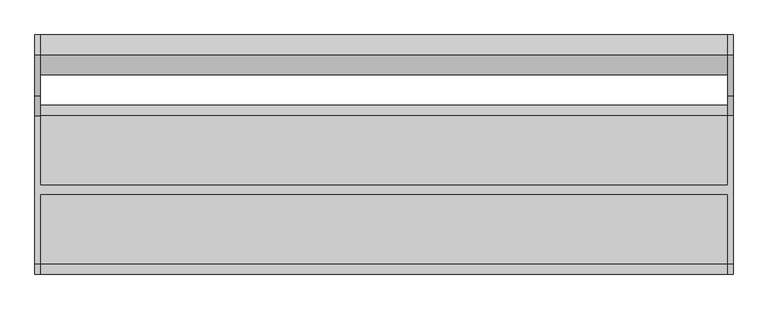
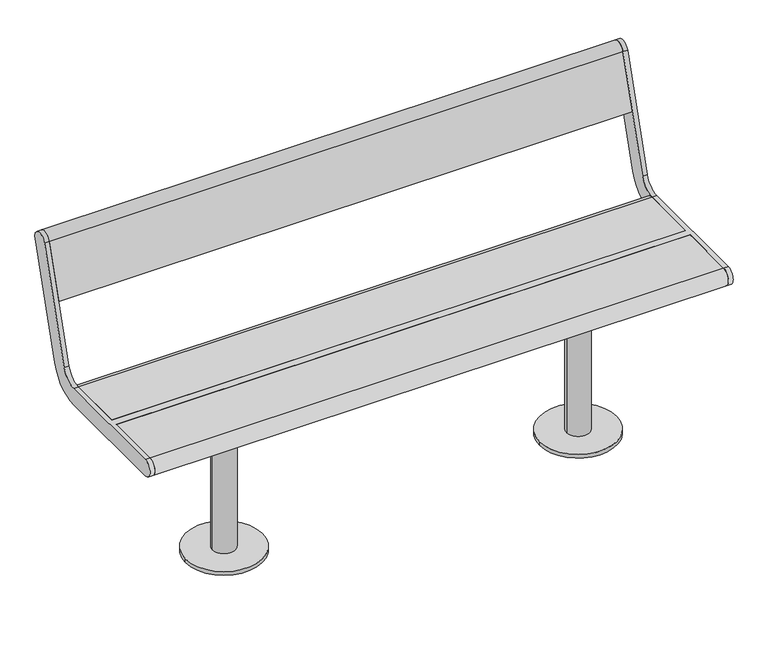
"""IFC4 building model written with IfcOpenShell, lengths in millimetres: furniture geometry."""

from ifc_helpers import new_model, si_unit, point, frame, frame_2d, origin, origin_with_axes, place, context, project, spatial, polyline, circle_curve, trimmed, segment, composite_curve, outline, extrude, source, transform, mapped, element, save
from ifc_brep_helpers import plane_surface, cylinder_surface, revolved_surface, advanced_brep


def furniture_3b8928c1(model_context):
    return source(origin(), model_context, "Body", "SolidModel", [
        advanced_brep(
        [(-745.0, 291.5375971, 769.6910048), (-745.0, 203.533714, 481.8432733), (-745.0, 160.5, 450.0), (-745.0, 10.0, 450.0), (-745.0, 10.0, 405.0), (-745.0, 160.5, 405.0), (-745.0, 246.567428, 468.6865466), (-745.0, 334.5713112, 756.5342781), (-745.0, -160.5, 450.0), (-745.0, -160.5, 405.0), (-745.0, -10.0, 405.0), (-745.0, -10.0, 450.0), (-757.0, 291.5375971, 769.6910048), (-757.0, 334.5713112, 756.5342781), (-757.0, 246.567428, 468.6865466), (-757.0, 160.5, 405.0), (-757.0, -160.5, 405.0), (-757.0, -160.5, 450.0), (-757.0, 160.5, 450.0), (-757.0, 203.533714, 481.8432733), (745.0, -10.0, 450.0), (745.0, -160.5, 450.0), (757.0, -160.5, 450.0), (757.0, 160.5, 450.0), (745.0, 160.5, 450.0), (745.0, 10.0, 450.0), (745.0, 10.0, 405.0), (745.0, 160.5, 405.0), (757.0, 160.5, 405.0), (757.0, -160.5, 405.0), (745.0, -160.5, 405.0), (745.0, -10.0, 405.0), (757.0, 291.5375971, 769.6910048), (757.0, 203.533714, 481.8432733), (757.0, 246.567428, 468.6865466), (757.0, 334.5713112, 756.5342781), (745.0, 291.5375971, 769.6910048), (745.0, 334.5713112, 756.5342781), (745.0, 246.567428, 468.6865466), (745.0, 203.533714, 481.8432733)],
        [
            (0, 1),
            (1, 2, circle_curve(frame((-745.0, 160.5, 495.0), z_axis=(-1.0, 0.0, 0.0), x_axis=(0.0, -1.0, 0.0)), 45.0)),
            (2, 3),
            (3, 4),
            (4, 5),
            (5, 6, circle_curve(frame((-745.0, 160.5, 495.0), z_axis=(1.0, 0.0, 0.0), x_axis=(0.0, -1.0, 0.0)), 90.0)),
            (6, 7),
            (7, 0, circle_curve(frame((-745.0, 313.0544541, 763.1126415), z_axis=(1.0, 0.0, 0.0), x_axis=(0.0, -1.0, 0.0)), 22.5)),
            (8, 9, circle_curve(frame((-745.0, -160.5, 427.5), z_axis=(1.0, 0.0, 0.0), x_axis=(0.0, -1.0, 0.0)), 22.5)),
            (9, 10),
            (10, 11),
            (11, 8),
            (12, 13, circle_curve(frame((-757.0, 313.0544541, 763.1126415), z_axis=(-1.0, 0.0, 0.0), x_axis=(0.0, -1.0, 0.0)), 22.5)),
            (13, 14),
            (14, 15, circle_curve(frame((-757.0, 160.5, 495.0), z_axis=(-1.0, 0.0, 0.0), x_axis=(0.0, -1.0, 0.0)), 90.0)),
            (15, 16),
            (16, 17, circle_curve(frame((-757.0, -160.5, 427.5), z_axis=(-1.0, 0.0, 0.0), x_axis=(0.0, -1.0, 0.0)), 22.5)),
            (17, 18),
            (18, 19, circle_curve(frame((-757.0, 160.5, 495.0), z_axis=(1.0, 0.0, 0.0), x_axis=(0.0, -1.0, 0.0)), 45.0)),
            (19, 12),
            (0, 12),
            (19, 1),
            (18, 2),
            (17, 8),
            (11, 20),
            (20, 21),
            (21, 22),
            (22, 23),
            (23, 24),
            (24, 25),
            (25, 3),
            (15, 5),
            (4, 26),
            (26, 27),
            (27, 28),
            (28, 29),
            (29, 30),
            (30, 31),
            (31, 10),
            (9, 16),
            (14, 6),
            (13, 7),
            (31, 20),
            (25, 26),
            (32, 33),
            (33, 23, circle_curve(frame((757.0, 160.5, 495.0), z_axis=(-1.0, 0.0, 0.0), x_axis=(0.0, -1.0, 0.0)), 45.0)),
            (22, 29, circle_curve(frame((757.0, -160.5, 427.5), z_axis=(1.0, 0.0, 0.0), x_axis=(0.0, -1.0, 0.0)), 22.5)),
            (28, 34, circle_curve(frame((757.0, 160.5, 495.0), z_axis=(1.0, 0.0, 0.0), x_axis=(0.0, -1.0, 0.0)), 90.0)),
            (34, 35),
            (35, 32, circle_curve(frame((757.0, 313.0544541, 763.1126415), z_axis=(1.0, 0.0, 0.0), x_axis=(0.0, -1.0, 0.0)), 22.5)),
            (36, 37, circle_curve(frame((745.0, 313.0544541, 763.1126415), z_axis=(-1.0, 0.0, 0.0), x_axis=(0.0, -1.0, 0.0)), 22.5)),
            (37, 38),
            (38, 27, circle_curve(frame((745.0, 160.5, 495.0), z_axis=(-1.0, 0.0, 0.0), x_axis=(0.0, -1.0, 0.0)), 90.0)),
            (24, 39, circle_curve(frame((745.0, 160.5, 495.0), z_axis=(1.0, 0.0, 0.0), x_axis=(0.0, -1.0, 0.0)), 45.0)),
            (39, 36),
            (30, 21, circle_curve(frame((745.0, -160.5, 427.5), z_axis=(-1.0, 0.0, 0.0), x_axis=(0.0, -1.0, 0.0)), 22.5)),
            (32, 36),
            (39, 33),
            (38, 34),
            (37, 35),
        ],
        [
            plane_surface(frame((-745.0, 203.533714, 481.8432733), z_axis=(1.0, 0.0, 0.0), x_axis=(0.0, -0.29237170472273366, -0.9563047559630364))),
            plane_surface(frame((-757.0, 203.533714, 481.8432733), z_axis=(-1.0, 0.0, 0.0), x_axis=(0.0, 0.29237170472273366, 0.9563047559630364))),
            plane_surface(frame((-745.0, 291.5375971, 769.6910048), z_axis=(0.0, -0.9563047559630364, 0.29237170472273366), x_axis=(-1.0, 0.0, 0.0))),
            revolved_surface(polyline([(-757.0, 115.5, 495.0), (-745.0, 115.5, 495.0)]), (-757.0, 160.5, 495.0), (-1.0, 0.0, 0.0)),
            plane_surface(frame((-745.0, 160.5, 450.0), z_axis=(0.0, 0.0, 1.0), x_axis=(-1.0, 0.0, 0.0))),
            plane_surface(frame((-745.0, -160.5, 405.0), z_axis=(0.0, 0.0, -1.0), x_axis=(-1.0, 0.0, 0.0))),
            cylinder_surface(frame((-757.0, 160.5, 495.0), z_axis=(1.0, 0.0, 0.0), x_axis=(0.0, -1.0, 0.0)), 90.0),
            plane_surface(frame((-745.0, 246.567428, 468.6865466), z_axis=(0.0, 0.9563047559630364, -0.29237170472273366), x_axis=(-1.0, 0.0, 0.0))),
            cylinder_surface(frame((-757.0, 313.0544541, 763.1126415), z_axis=(1.0, 0.0, 0.0), x_axis=(0.0, -1.0, 0.0)), 22.5),
            cylinder_surface(frame((-757.0, -160.5, 427.5), z_axis=(1.0, 0.0, 0.0), x_axis=(0.0, -1.0, 0.0)), 22.5),
            plane_surface(frame((745.0, -10.0, 450.0), z_axis=(0.0, -1.0, 0.0), x_axis=(-1.0, 0.0, 0.0))),
            plane_surface(frame((745.0, 10.0, 405.0), z_axis=(0.0, 1.0, 0.0), x_axis=(-1.0, 0.0, 0.0))),
            plane_surface(frame((757.0, 203.533714, 481.8432733), z_axis=(1.0, 0.0, 0.0), x_axis=(0.0, -0.29237170472273366, -0.9563047559630364))),
            plane_surface(frame((745.0, 203.533714, 481.8432733), z_axis=(-1.0, 0.0, 0.0), x_axis=(0.0, 0.29237170472273366, 0.9563047559630364))),
            plane_surface(frame((757.0, 291.5375971, 769.6910048), z_axis=(0.0, -0.9563047559630364, 0.29237170472273366), x_axis=(-1.0, 0.0, 0.0))),
            revolved_surface(polyline([(745.0, 115.5, 495.0), (757.0, 115.5, 495.0)]), (745.0, 160.5, 495.0), (-1.0, 0.0, 0.0)),
            cylinder_surface(frame((745.0, 160.5, 495.0), z_axis=(1.0, 0.0, 0.0), x_axis=(0.0, -1.0, 0.0)), 90.0),
            plane_surface(frame((757.0, 246.567428, 468.6865466), z_axis=(0.0, 0.9563047559630364, -0.29237170472273366), x_axis=(-1.0, 0.0, 0.0))),
            cylinder_surface(frame((745.0, 313.0544541, 763.1126415), z_axis=(1.0, 0.0, 0.0), x_axis=(0.0, -1.0, 0.0)), 22.5),
            cylinder_surface(frame((745.0, -160.5, 427.5), z_axis=(1.0, 0.0, 0.0), x_axis=(0.0, -1.0, 0.0)), 22.5),
        ],
        [
            (0, [[1, 2, 3, 4, 5, 6, 7, 8]]),
            (0, [[9, 10, 11, 12]]),
            (1, [[13, 14, 15, 16, 17, 18, 19, 20]]),
            (2, [[-1, 21, -20, 22]]),
            (3, [[-2, -22, -19, 23]]),
            (4, [[-18, 24, -12, 25, 26, 27, 28, 29, 30, 31, -3, -23]]),
            (5, [[-16, 32, -5, 33, 34, 35, 36, 37, 38, 39, -10, 40]]),
            (6, [[-6, -32, -15, 41]]),
            (7, [[-7, -41, -14, 42]]),
            (8, [[-8, -42, -13, -21]]),
            (9, [[-9, -24, -17, -40]]),
            (10, [[-25, -11, -39, 43]]),
            (11, [[-31, 44, -33, -4]]),
            (12, [[45, 46, -28, 47, -36, 48, 49, 50]]),
            (13, [[51, 52, 53, -34, -44, -30, 54, 55]]),
            (13, [[56, -26, -43, -38]]),
            (14, [[-45, 57, -55, 58]]),
            (15, [[-46, -58, -54, -29]]),
            (16, [[-48, -35, -53, 59]]),
            (17, [[-49, -59, -52, 60]]),
            (18, [[-50, -60, -51, -57]]),
            (19, [[-47, -27, -56, -37]]),
        ],
    ),
        extrude(outline(composite_curve([segment(trimmed(circle_curve(frame_2d((313.0544541, 763.1126415)), 22.5), [point((291.5375971, 769.6910048))], [point((334.5713112, 756.5342781))], False, "CARTESIAN"), True, "CONTINUOUS"), segment(polyline([(334.5713112, 756.5342781), (292.0312281, 617.3919361), (248.9975141, 630.5486628), (291.5375971, 769.6910048)]), True, "CONTINUOUS")], self_intersect=False)), frame((-745.0, 0.0, 0.0), z_axis=(1.0, 0.0, 0.0), x_axis=(0.0, 1.0, 0.0)), (0.0, 0.0, 1.0), 1490.0),
        extrude(outline(composite_curve([segment(polyline([(10.0, 405.0), (10.0, 450.0), (160.5, 450.0)]), True, "CONTINUOUS"), segment(trimmed(circle_curve(frame_2d((160.5, 427.5)), 22.5), [point((160.5, 450.0))], [point((160.5, 405.0))], False, "CARTESIAN"), True, "CONTINUOUS"), segment(polyline([(160.5, 405.0), (10.0, 405.0)]), True, "CONTINUOUS")], self_intersect=False)), frame((-745.0, 0.0, 0.0), z_axis=(1.0, 0.0, 0.0), x_axis=(0.0, 1.0, 0.0)), (0.0, 0.0, 1.0), 1490.0),
        extrude(outline(composite_curve([segment(polyline([(-10.0, 405.0), (-160.5, 405.0)]), True, "CONTINUOUS"), segment(trimmed(circle_curve(frame_2d((-160.5, 427.5)), 22.5), [point((-160.5, 405.0))], [point((-160.5, 450.0))], False, "CARTESIAN"), True, "CONTINUOUS"), segment(polyline([(-160.5, 450.0), (-10.0, 450.0), (-10.0, 405.0)]), True, "CONTINUOUS")], self_intersect=False)), frame((-745.0, 0.0, 0.0), z_axis=(1.0, 0.0, 0.0), x_axis=(0.0, 1.0, 0.0)), (0.0, 0.0, 1.0), 1490.0),
        extrude(outline(composite_curve([segment(trimmed(circle_curve(frame_2d((460.0, 0.0)), 100.0), [point((360.0, 0.0))], [point((560.0, 0.0))], False, "CARTESIAN"), True, "CONTINUOUS"), segment(trimmed(circle_curve(frame_2d((460.0, 0.0)), 100.0), [point((560.0, 0.0))], [point((360.0, 0.0))], False, "CARTESIAN"), True, "CONTINUOUS")], self_intersect=False)), origin_with_axes(), (0.0, 0.0, 1.0), 10.0),
        extrude(outline(composite_curve([segment(trimmed(circle_curve(frame_2d((460.0, 0.0)), 30.0), [point((430.0, 0.0))], [point((490.0, 0.0))], False, "CARTESIAN"), True, "CONTINUOUS"), segment(trimmed(circle_curve(frame_2d((460.0, 0.0)), 30.0), [point((490.0, 0.0))], [point((430.0, 0.0))], False, "CARTESIAN"), True, "CONTINUOUS")], self_intersect=False)), frame((0.0, 0.0, 10.0), z_axis=(0.0, 0.0, 1.0), x_axis=(1.0, 0.0, 0.0)), (0.0, 0.0, 1.0), 379.0),
        extrude(outline(polyline([(535.0, 125.0), (535.0, -125.0), (385.0, -125.0), (385.0, 125.0), (535.0, 125.0)])), frame((0.0, 0.0, 389.0), z_axis=(0.0, 0.0, 1.0), x_axis=(1.0, 0.0, 0.0)), (0.0, 0.0, 1.0), 16.0),
        extrude(outline(composite_curve([segment(trimmed(circle_curve(frame_2d((-460.0, 0.0)), 100.0), [point((-560.0, 0.0))], [point((-360.0, 0.0))], False, "CARTESIAN"), True, "CONTINUOUS"), segment(trimmed(circle_curve(frame_2d((-460.0, 0.0)), 100.0), [point((-360.0, 0.0))], [point((-560.0, 0.0))], False, "CARTESIAN"), True, "CONTINUOUS")], self_intersect=False)), origin_with_axes(), (0.0, 0.0, 1.0), 10.0),
        extrude(outline(composite_curve([segment(trimmed(circle_curve(frame_2d((-460.0, 0.0)), 30.0), [point((-490.0, 0.0))], [point((-430.0, 0.0))], False, "CARTESIAN"), True, "CONTINUOUS"), segment(trimmed(circle_curve(frame_2d((-460.0, 0.0)), 30.0), [point((-430.0, 0.0))], [point((-490.0, 0.0))], False, "CARTESIAN"), True, "CONTINUOUS")], self_intersect=False)), frame((0.0, 0.0, 10.0), z_axis=(0.0, 0.0, 1.0), x_axis=(1.0, 0.0, 0.0)), (0.0, 0.0, 1.0), 379.0),
        extrude(outline(polyline([(-385.0, 125.0), (-385.0, -125.0), (-535.0, -125.0), (-535.0, 125.0), (-385.0, 125.0)])), frame((0.0, 0.0, 389.0), z_axis=(0.0, 0.0, 1.0), x_axis=(1.0, 0.0, 0.0)), (0.0, 0.0, 1.0), 16.0),
    ])


if __name__ == "__main__":
    model = new_model("IFC4")
    model_context = context("Model", 3, world=origin())
    ifc_project = project(units=[si_unit("LENGTHUNIT", "METRE", prefix="MILLI")], contexts=[model_context])
    site = spatial("IfcSite", under=ifc_project)
    building = spatial("IfcBuilding", under=site)
    placement = place(None, origin())
    furniture_shape = furniture_3b8928c1(model_context)
    element("IfcFurniture", 1, at=placement, inside=building, context=model_context, shape_type="MappedRepresentation", body=[
        mapped(furniture_shape, transform((0.0, 0.0, 0.0), x_axis=(1.0, 0.0, 0.0), y_axis=(0.0, 1.0, 0.0), z_axis=(0.0, 0.0, 1.0))),
    ])
    save(model, "model.ifc")
